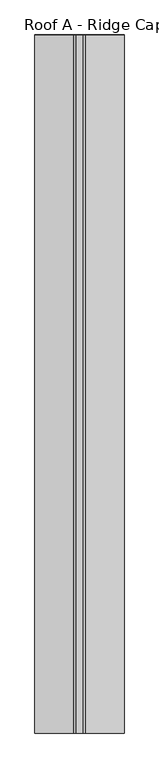
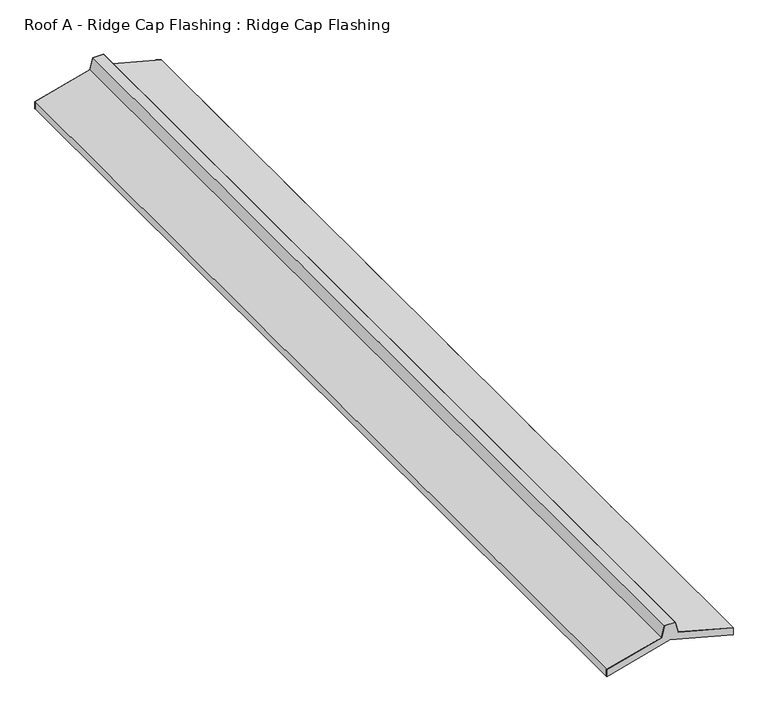
"""IFC4 building model written with IfcOpenShell, lengths in millimetres: proxy geometry, Roof A - Ridge Cap Flashing : Ridge Cap Flashing."""

from ifc_helpers import new_model, si_unit, frame, origin, place, context, project, spatial, polyline, outline, extrude, source, transform, mapped, element, save


def roof_a_ridge_cap_flashing_ridge_cap_flashing_3db288d4(model_context):
    return source(origin(), model_context, "Body", "SweptSolid", [
        extrude(outline(polyline([(6198.9102496, 3175.4070919), (6161.043288, 3175.4070919), (6248.0176956, 3500.0), (6161.043288, 3824.5929081), (6198.9102496, 3824.5929081), (6274.4116755, 3542.8177506), (6333.0461554, 3527.106689), (6333.0461554, 3472.893311), (6274.4116755, 3457.1822494), (6198.9102496, 3175.4070919)])), frame((0.0, 4913.8954809, 0.0), z_axis=(0.0, 1.0, 0.0), x_axis=(0.0, 0.0, 1.0)), (0.0, 0.0, 1.0), 1.2850781),
        extrude(outline(polyline([(6198.9102496, 3175.4070919), (6161.043288, 3175.4070919), (6248.0176956, 3500.0), (6161.043288, 3824.5929081), (6198.9102496, 3824.5929081), (6274.4116755, 3542.8177506), (6333.0461554, 3527.106689), (6333.0461554, 3472.893311), (6274.4116755, 3457.1822494), (6198.9102496, 3175.4070919)])), frame((0.0, -170.0, 0.0), z_axis=(0.0, 1.0, 0.0), x_axis=(0.0, 0.0, 1.0)), (0.0, 0.0, 1.0), 2.0),
        extrude(outline(polyline([(6334.0461554, 3527.874016), (6334.0461554, 3472.125984), (6275.2281721, 3456.3657529), (6199.9455258, 3175.4070919), (6161.043288, 3175.4070919), (6161.043288, 3176.4070919), (6199.1781988, 3176.4070919), (6274.4116755, 3457.1822494), (6333.0461554, 3472.893311), (6333.0461554, 3527.106689), (6274.4116755, 3542.8177506), (6199.1781988, 3823.5929081), (6161.043288, 3823.5929081), (6161.043288, 3824.5929081), (6199.9455258, 3824.5929081), (6275.2281721, 3543.6342471), (6334.0461554, 3527.874016)])), frame((0.0, -170.0, 0.0), z_axis=(0.0, 1.0, 0.0), x_axis=(0.0, 0.0, 1.0)), (0.0, 0.0, 1.0), 5083.8954809),
    ])


if __name__ == "__main__":
    model = new_model("IFC4")
    model_context = context("Model", 3, world=origin())
    ifc_project = project(units=[si_unit("LENGTHUNIT", "METRE", prefix="MILLI")], contexts=[model_context])
    site = spatial("IfcSite", under=ifc_project)
    building = spatial("IfcBuilding", under=site)
    placement = place(None, origin())
    roof_a_ridge_cap_flashing_ridge_cap_flashing_shape = roof_a_ridge_cap_flashing_ridge_cap_flashing_3db288d4(model_context)
    element("IfcBuildingElementProxy", 1, Name="Roof A - Ridge Cap Flashing : Ridge Cap Flashing", ObjectType="Roof A - Ridge Cap Flashing : Ridge Cap Flashing", at=placement, inside=building, context=model_context, shape_type="MappedRepresentation", body=[
        mapped(roof_a_ridge_cap_flashing_ridge_cap_flashing_shape, transform((0.0, 0.0, 0.0), x_axis=(1.0, 0.0, 0.0), y_axis=(0.0, 1.0, 0.0), z_axis=(0.0, 0.0, 1.0))),
    ])
    save(model, "model.ifc")
